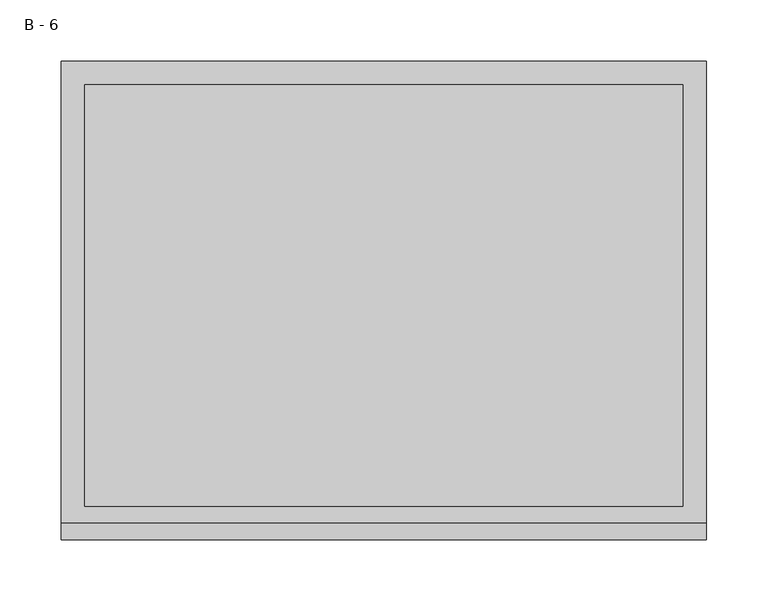
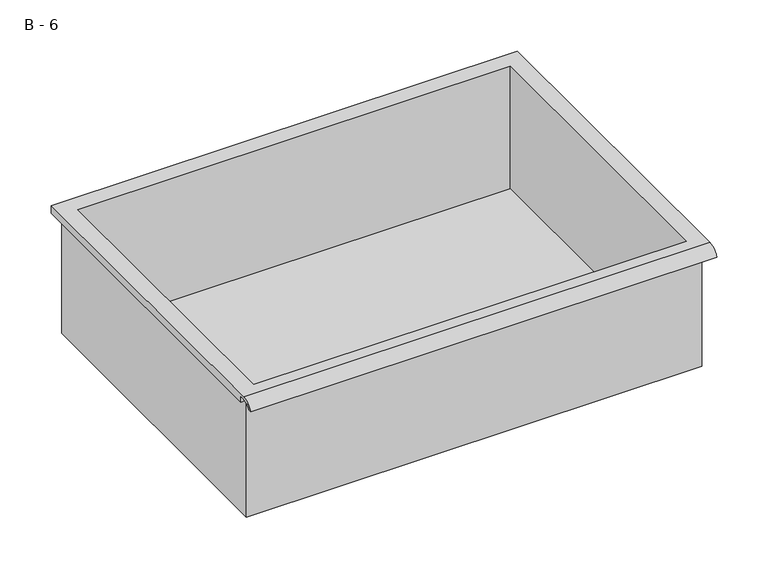
"""IFC4 building model written with IfcOpenShell, lengths in millimetres: furniture geometry, B - 6."""

from ifc_helpers import new_model, si_unit, frame, origin, place, context, project, spatial, polyline, circle_curve, source, transform, mapped, element, save
from ifc_brep_helpers import plane_surface, cylinder_surface, revolved_surface, advanced_brep


def b_6_772d8908(model_context):
    return source(origin(), model_context, "Body", "AdvancedBrep", [
        advanced_brep(
        [(-257.1076517, -176.2125, 643.05942), (257.2423483, -176.2125, 643.05942), (257.2423483, -176.2125, 782.75942), (263.5923483, -176.2125, 782.75942), (263.5923483, -176.2125, 789.0665541), (-263.4576517, -176.2125, 789.0665541), (-263.4576517, -176.2125, 782.75942), (-257.1076517, -176.2125, 782.75942), (257.2423483, 185.7375, 643.05942), (-257.1076517, 185.7375, 643.05942), (-257.1076517, 185.7375, 782.75942), (257.2423483, 185.7375, 782.75942), (263.5923483, -181.6070544, 792.28442), (263.5923483, 195.2625, 792.28442), (-263.4576517, 195.2625, 792.28442), (-263.4576517, -181.6070544, 792.28442), (244.5423483, -168.275, 792.28442), (-244.4076517, -168.275, 792.28442), (-244.4076517, 176.2125, 792.28442), (244.5423483, 176.2125, 792.28442), (263.5923483, -195.2625, 782.75942), (263.5923483, -191.8280601, 782.75942), (263.5923483, -180.4714815, 789.0665541), (263.5923483, 195.2625, 782.75942), (-263.4576517, 195.2625, 782.75942), (-263.4576517, -180.4714815, 789.0665541), (-263.4576517, -191.8280601, 782.75942), (-263.4576517, -195.2625, 782.75942), (-244.4076517, -168.275, 646.0855919), (244.5423483, -168.275, 646.0855919), (244.5423483, 176.2125, 646.0855919), (-244.4076517, 176.2125, 646.0855919)],
        [
            (0, 1),
            (1, 2),
            (2, 3),
            (3, 4),
            (4, 5),
            (5, 6),
            (6, 7),
            (7, 0),
            (8, 9),
            (9, 10),
            (10, 11),
            (11, 8),
            (0, 9),
            (8, 1),
            (11, 2),
            (12, 13),
            (13, 14),
            (14, 15),
            (15, 12),
            (16, 17),
            (17, 18),
            (18, 19),
            (19, 16),
            (7, 10),
            (12, 20, circle_curve(frame((263.5923483, -181.6070544, 777.7334059), z_axis=(1.0, 0.0, 0.0), x_axis=(0.0, 1.0, 0.0)), 14.5510141)),
            (20, 21),
            (21, 22, circle_curve(frame((263.5923483, -181.6070544, 777.7334059), z_axis=(-1.0, 0.0, 0.0), x_axis=(0.0, 1.0, 0.0)), 11.3898979)),
            (22, 4),
            (3, 23),
            (23, 13),
            (14, 24),
            (24, 6),
            (5, 25),
            (25, 26, circle_curve(frame((-263.4576517, -181.6070544, 777.7334059), z_axis=(1.0, 0.0, 0.0), x_axis=(0.0, 1.0, 0.0)), 11.3898979)),
            (26, 27),
            (27, 15, circle_curve(frame((-263.4576517, -181.6070544, 777.7334059), z_axis=(-1.0, 0.0, 0.0), x_axis=(0.0, 1.0, 0.0)), 14.5510141)),
            (27, 20),
            (26, 21),
            (25, 22),
            (24, 23),
            (28, 29),
            (29, 30),
            (30, 31),
            (31, 28),
            (28, 17),
            (16, 29),
            (19, 30),
            (18, 31),
        ],
        [
            plane_surface(frame((257.2423483, -176.2125, 643.05942), z_axis=(0.0, -1.0, 0.0), x_axis=(1.0, 0.0, 0.0))),
            plane_surface(frame((257.2423483, 185.7375, 643.05942), z_axis=(0.0, 1.0, 0.0), x_axis=(-1.0, 0.0, 0.0))),
            plane_surface(frame((-257.1076517, -176.2125, 643.05942), z_axis=(0.0, 0.0, -1.0), x_axis=(0.0, 1.0, 0.0))),
            plane_surface(frame((257.2423483, -176.2125, 643.05942), z_axis=(1.0, 0.0, 0.0), x_axis=(0.0, 1.0, 0.0))),
            plane_surface(frame((257.2423483, -176.2125, 792.28442), z_axis=(0.0, 0.0, 1.0), x_axis=(0.0, 1.0, 0.0))),
            plane_surface(frame((-257.1076517, -176.2125, 792.28442), z_axis=(-1.0, 0.0, 0.0), x_axis=(0.0, 1.0, 0.0))),
            plane_surface(frame((263.5923483, 195.2625, 792.28442), z_axis=(1.0, 0.0, 0.0), x_axis=(0.0, -1.0, 0.0))),
            plane_surface(frame((-263.4576517, 195.2625, 792.28442), z_axis=(-1.0, 0.0, 0.0), x_axis=(0.0, 1.0, 0.0))),
            cylinder_surface(frame((-263.4576517, -181.6070544, 777.7334059), z_axis=(1.0, 0.0, 0.0), x_axis=(0.0, 1.0, 0.0)), 14.5510141),
            plane_surface(frame((263.5923483, -195.2625, 782.75942), z_axis=(0.0, -7.172997036884945e-12, -1.0), x_axis=(-1.0, 0.0, 0.0))),
            revolved_surface(polyline([(-263.4576517, -170.21715650000002, 777.7334059), (263.59234829999997, -170.21715650000002, 777.7334059)]), (-263.4576517, -181.6070544, 777.7334059), (-1.0, 0.0, 0.0)),
            plane_surface(frame((263.5923483, -180.4714815, 789.0665541), z_axis=(0.0, -1.782962839538054e-11, -1.0), x_axis=(-1.0, 0.0, 0.0))),
            plane_surface(frame((263.5923483, -176.2125, 782.75942), z_axis=(0.0, 0.0, -1.0), x_axis=(-1.0, 0.0, 0.0))),
            plane_surface(frame((263.5923483, 195.2625, 782.75942), z_axis=(0.0, 1.0, 0.0), x_axis=(-1.0, 0.0, 0.0))),
            plane_surface(frame((244.5423483, -168.275, 646.0855919), z_axis=(0.0, 0.0, 1.0), x_axis=(-1.0, 0.0, 0.0))),
            plane_surface(frame((-244.4076517, -168.275, 792.28442), z_axis=(0.0, 1.0, 0.0), x_axis=(0.0, 0.0, -1.0))),
            plane_surface(frame((244.5423483, -168.275, 792.28442), z_axis=(-1.0, 0.0, 0.0), x_axis=(0.0, 0.0, -1.0))),
            plane_surface(frame((244.5423483, 176.2125, 792.28442), z_axis=(0.0, -1.0, 0.0), x_axis=(0.0, 0.0, -1.0))),
            plane_surface(frame((-244.4076517, 176.2125, 792.28442), z_axis=(1.0, 0.0, 0.0), x_axis=(0.0, 0.0, -1.0))),
        ],
        [
            (0, [[1, 2, 3, 4, 5, 6, 7, 8]]),
            (1, [[9, 10, 11, 12]]),
            (2, [[-1, 13, -9, 14]]),
            (3, [[-14, -12, 15, -2]]),
            (4, [[16, 17, 18, 19], [20, 21, 22, 23]]),
            (5, [[-13, -8, 24, -10]]),
            (6, [[-16, 25, 26, 27, 28, -4, 29, 30]]),
            (7, [[31, 32, -6, 33, 34, 35, 36, -18]]),
            (8, [[-25, -19, -36, 37]]),
            (9, [[-26, -37, -35, 38]]),
            (10, [[-27, -38, -34, 39]]),
            (11, [[-28, -39, -33, -5]]),
            (12, [[-29, -3, -15, -11, -24, -7, -32, 40]]),
            (13, [[-30, -40, -31, -17]]),
            (14, [[41, 42, 43, 44]]),
            (15, [[-41, 45, -20, 46]]),
            (16, [[-42, -46, -23, 47]]),
            (17, [[-43, -47, -22, 48]]),
            (18, [[-44, -48, -21, -45]]),
        ],
    ),
    ])


if __name__ == "__main__":
    model = new_model("IFC4")
    model_context = context("Model", 3, world=origin())
    ifc_project = project(units=[si_unit("LENGTHUNIT", "METRE", prefix="MILLI")], contexts=[model_context])
    site = spatial("IfcSite", under=ifc_project)
    building = spatial("IfcBuilding", under=site)
    placement = place(None, origin())
    b_6_shape = b_6_772d8908(model_context)
    element("IfcFurniture", 1, ObjectType="B - 6", at=placement, inside=building, context=model_context, shape_type="MappedRepresentation", body=[
        mapped(b_6_shape, transform((0.0, 0.0, 0.0), x_axis=(1.0, 0.0, 0.0), y_axis=(0.0, 1.0, 0.0), z_axis=(0.0, 0.0, 1.0))),
    ])
    save(model, "model.ifc")
